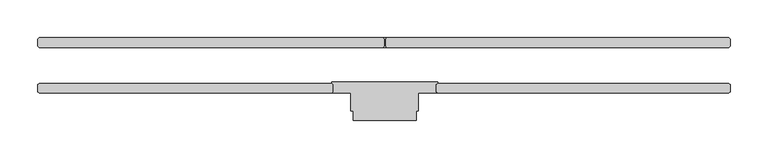
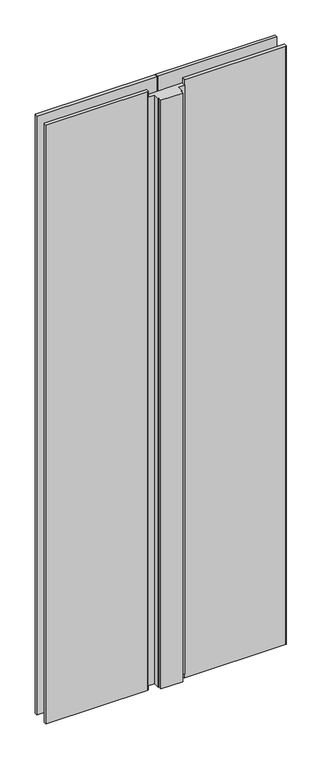
"""IFC4 building model written with IfcOpenShell, lengths in millimetres: plate geometry."""

from ifc_helpers import new_model, si_unit, frame, origin, origin_with_axes, place, context, project, spatial, polyline, outline, extrude, source, transform, mapped, element, save


def plate_819f71e7(model_context):
    return source(origin(), model_context, "Body", "SweptSolid", [
        extrude(outline(polyline([(-69.0562495, -21.749999), (70.6437495, -21.749999), (70.6437495, -23.8125), (69.0562495, -25.4), (69.0562495, -34.925), (70.6437495, -36.5125), (45.2937495, -36.5125), (45.2937495, -59.9505984), (42.3923591, -59.9505984), (42.3923591, -72.9255327), (-40.8048591, -72.9255327), (-40.8048591, -59.9505984), (-43.7062495, -59.9505984), (-43.7062495, -36.5125), (-69.0562495, -36.5125), (-67.4687495, -34.925), (-67.4687495, -25.4), (-69.0562495, -23.8125), (-69.0562495, -21.749999)])), frame((0.0, 0.0, 17.4625), z_axis=(0.0, 0.0, 1.0), x_axis=(1.0, 0.0, 0.0)), (0.0, 0.0, 1.0), 2365.3750023),
        extrude(outline(polyline([(-454.81875, -23.8125), (-69.0562495, -23.8125), (-67.4687495, -25.4), (-67.4687495, -34.925), (-69.0562495, -36.5125), (-454.81875, -36.5125), (-456.40625, -34.925), (-456.40625, -25.4), (-454.81875, -23.8125)])), origin_with_axes(), (0.0, 0.0, 1.0), 2405.0625023),
        extrude(outline(polyline([(-454.81875, 36.5125), (-1.5875, 36.5125), (0.0, 34.925), (0.0, 25.4), (-1.5875, 23.8125), (-454.81875, 23.8125), (-456.40625, 25.4), (-456.40625, 34.925), (-454.81875, 36.5125)])), origin_with_axes(), (0.0, 0.0, 1.0), 2405.0625023),
        extrude(outline(polyline([(3.175, 36.5125), (1.5875, 34.925), (1.5875, 25.4), (3.175, 23.8125), (-1.5875, 23.8125), (0.0, 25.4), (0.0, 34.925), (-1.5875, 36.5125), (3.175, 36.5125)])), frame((0.0, 0.0, -12.7), z_axis=(0.0, 0.0, 1.0), x_axis=(1.0, 0.0, 0.0)), (0.0, 0.0, 1.0), 2417.7625023),
        extrude(outline(polyline([(454.81875, -23.8125), (456.40625, -25.4), (456.40625, -34.925), (454.81875, -36.5125), (70.6437495, -36.5125), (69.0562495, -34.925), (69.0562495, -25.4), (70.6437495, -23.8125), (454.81875, -23.8125)])), origin_with_axes(), (0.0, 0.0, 1.0), 2405.0625023),
        extrude(outline(polyline([(454.81875, 36.5125), (456.40625, 34.925), (456.40625, 25.4), (454.81875, 23.8125), (3.175, 23.8125), (1.5875, 25.4), (1.5875, 34.925), (3.175, 36.5125), (454.81875, 36.5125)])), origin_with_axes(), (0.0, 0.0, 1.0), 2405.0625023),
    ])


if __name__ == "__main__":
    model = new_model("IFC4")
    model_context = context("Model", 3, world=origin())
    ifc_project = project(units=[si_unit("LENGTHUNIT", "METRE", prefix="MILLI")], contexts=[model_context])
    site = spatial("IfcSite", under=ifc_project)
    building = spatial("IfcBuilding", under=site)
    placement = place(None, origin())
    plate_shape = plate_819f71e7(model_context)
    element("IfcPlate", 1, at=placement, inside=building, context=model_context, shape_type="MappedRepresentation", body=[
        mapped(plate_shape, transform((0.0, 0.0, 0.0), x_axis=(1.0, 0.0, 0.0), y_axis=(0.0, 1.0, 0.0), z_axis=(0.0, 0.0, 1.0))),
    ])
    save(model, "model.ifc")
